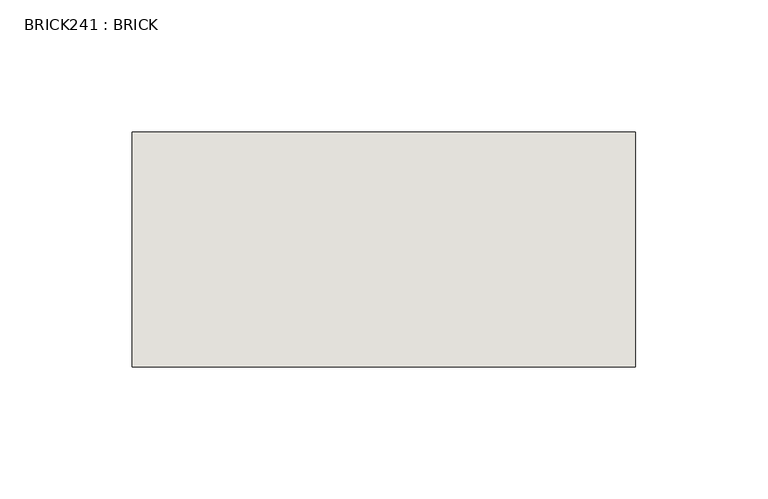
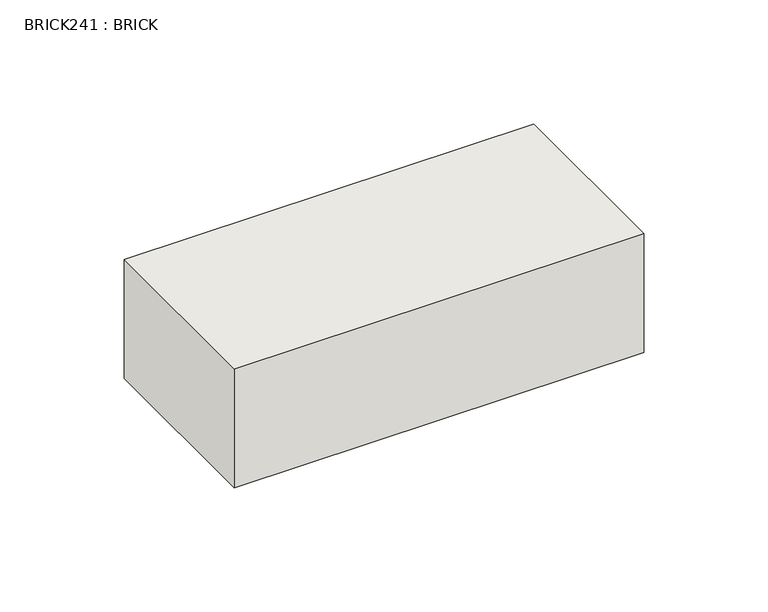
"""IFC4 building model written with IfcOpenShell, lengths in millimetres: wall geometry, BRICK241 : BRICK."""

from ifc_helpers import new_model, si_unit, frame, origin, place, context, project, spatial, polyline, outline, extrude, source, transform, mapped, element, save


def brick241_brick_98bcbc3a(model_context):
    return source(origin(), model_context, "Body", "SweptSolid", [
        extrude(outline(polyline([(-1784.7316239, 3062.3923312), (-1594.2316239, 3062.3923312), (-1594.2316239, 2973.4923312), (-1784.7316239, 2973.4923312), (-1784.7316239, 3062.3923312)])), frame((0.0, 0.0, 493.4148438), z_axis=(0.0, 0.0, 1.0), x_axis=(1.0, 0.0, 0.0)), (0.0, 0.0, 1.0), 58.4398437),
    ])


if __name__ == "__main__":
    model = new_model("IFC4")
    model_context = context("Model", 3, world=origin())
    ifc_project = project(units=[si_unit("LENGTHUNIT", "METRE", prefix="MILLI")], contexts=[model_context])
    site = spatial("IfcSite", under=ifc_project)
    building = spatial("IfcBuilding", under=site)
    placement = place(None, origin())
    brick241_brick_shape = brick241_brick_98bcbc3a(model_context)
    element("IfcWall", 1, ObjectType="BRICK241 : BRICK", at=placement, inside=building, context=model_context, shape_type="MappedRepresentation", body=[
        mapped(brick241_brick_shape, transform((0.0, 0.0, 0.0), x_axis=(1.0, 0.0, 0.0), y_axis=(0.0, 1.0, 0.0), z_axis=(0.0, 0.0, 1.0))),
    ])
    save(model, "model.ifc")
